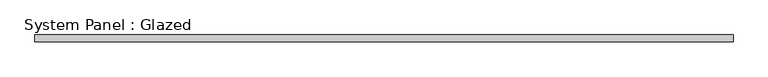
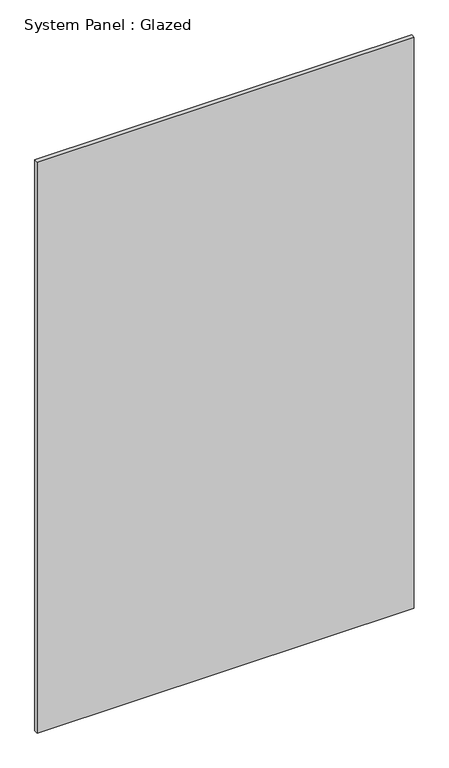
"""IFC4 building model written with IfcOpenShell, lengths in millimetres: plate geometry, System Panel : Glazed."""

from ifc_helpers import new_model, si_unit, origin, origin_with_axes, place, context, project, spatial, polyline, outline, extrude, source, transform, mapped, element, save


def system_panel_glazed_a46cada3(model_context):
    return source(origin(), model_context, "Body", "SweptSolid", [
        extrude(outline(polyline([(1250.0, -49.5), (-1250.0, -49.5), (-1250.0, -24.5), (1250.0, -24.5), (1250.0, -49.5)])), origin_with_axes(), (0.0, 0.0, 1.0), 4000.0),
    ])


if __name__ == "__main__":
    model = new_model("IFC4")
    model_context = context("Model", 3, world=origin())
    ifc_project = project(units=[si_unit("LENGTHUNIT", "METRE", prefix="MILLI")], contexts=[model_context])
    site = spatial("IfcSite", under=ifc_project)
    building = spatial("IfcBuilding", under=site)
    placement = place(None, origin())
    system_panel_glazed_shape = system_panel_glazed_a46cada3(model_context)
    element("IfcPlate", 1, ObjectType="System Panel : Glazed", at=placement, inside=building, context=model_context, shape_type="MappedRepresentation", body=[
        mapped(system_panel_glazed_shape, transform((0.0, 0.0, 0.0), x_axis=(1.0, 0.0, 0.0), y_axis=(0.0, 1.0, 0.0), z_axis=(0.0, 0.0, 1.0))),
    ])
    save(model, "model.ifc")
